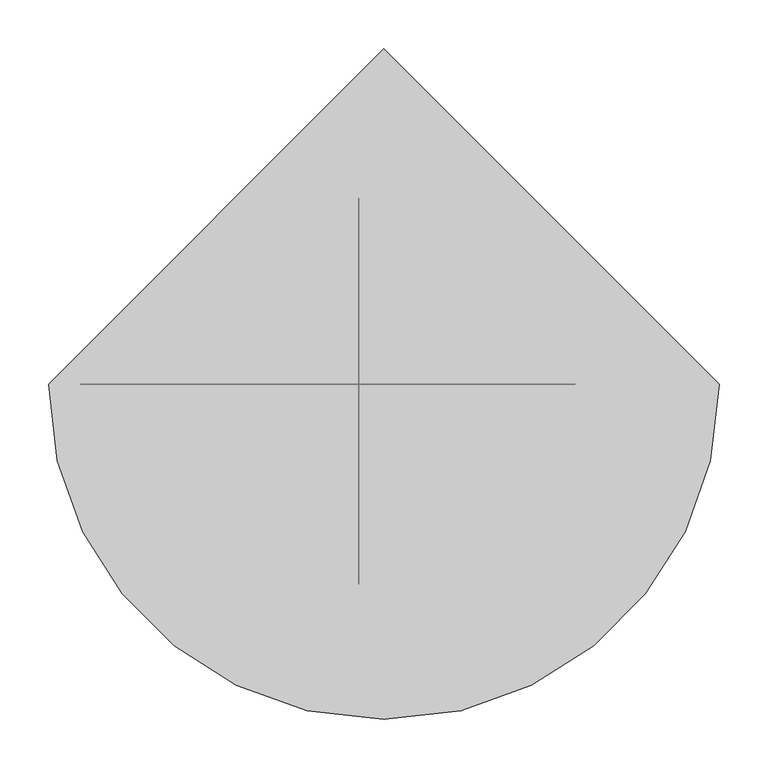
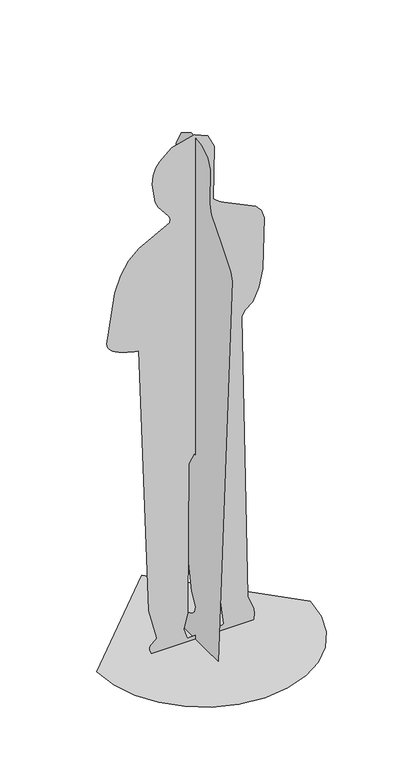
"""IFC4 building model written with IfcOpenShell, lengths in millimetres: proxy geometry."""

from ifc_helpers import new_model, si_unit, origin, place, context, project, spatial, triangles, source, transform, mapped, element, save


def entourage_46964f7a(model_context):
    return source(origin(), model_context, "Body", "Tessellation", [
        triangles([(-345.5731653, 0.0, 0.0), (-336.4372767, -79.1825214, 0.0), (-310.4186251, -151.898995, 0.0), (-269.6002954, -216.0660267, 0.0), (-216.066063, -269.6003499, 0.0), (-151.8989586, -310.4185161, 0.0), (-79.1824851, -336.4372767, 0.0), (1.51e-05, -345.5731653, 0.0), (79.1825305, -336.4373131, 0.0), (151.8990131, -310.4185887, 0.0), (216.066063, -269.6002954, 0.0), (269.6004044, -216.066063, 0.0), (310.4185524, -151.8989405, 0.0), (336.4372767, -79.1824669, 0.0), (345.5731653, 3.02e-05, 0.0), (-4.53e-05, 345.5731653, 0.0), (-25.78036, -206.1897945, 1348.8136002), (-25.78036, -197.5853052, 1374.9567719), (-25.78036, -143.9297866, 1440.4177471), (-25.78036, -88.0519655, 1504.3160271), (-25.78036, -79.0557305, 1537.7600613), (-25.78036, -83.3728452, 1655.4464825), (-25.78036, -70.0857021, 1687.5603653), (-25.78036, -36.8546772, 1709.6664288), (-25.78036, 23.8686285, 1717.8951416), (-25.78036, 79.9018998, 1684.0288948), (-25.78036, 106.2359483, 1634.1418236), (-25.78036, 109.3285375, 1576.3372124), (-25.78036, 95.6374309, 1518.7173283), (-25.78036, 71.6204648, 1469.3858917), (-25.78036, 43.7353619, 1436.4453152), (-25.78036, 18.439931, 1427.9987377), (-25.78036, 12.9047356, 1418.4000504), (-25.78036, 17.9030406, 1403.900354), (-25.78036, 100.3158972, 1305.1847225), (-25.78036, 139.8422364, 1319.3013027), (-25.78036, 147.3154902, 1313.5241844), (-25.78036, 153.4761334, 1298.3650806), (-25.78036, 159.5450399, 1229.1756992), (-25.78036, 155.9177722, 1209.0686417), (-25.78036, 148.7091461, 1195.8696653), (-25.78036, 191.504717, 912.7641987), (-25.78036, 185.9813805, 822.2159466), (-25.78036, 168.0753332, 726.406097), (-25.78036, 163.1484355, 723.9989765), (-25.78036, 157.8330986, 724.045776), (-25.78036, 131.3723318, 737.6993757), (-25.78036, 21.417554, 149.8942027), (-25.78036, -1.3232616, 110.9245429), (-25.78036, 4.0590798, 90.9092312), (-25.78036, 18.2062061, 77.7815168), (-25.78036, 83.2378335, 46.7363279), (-25.78036, 102.4456273, 28.1713932), (-25.78036, 115.4189542, 0.0001939), (-25.78036, -127.8900044, 0.0001939), (-47.6682023, 5.01e-05, 607.394684), (-50.5685295, 7.96e-05, 98.4130609), (-63.1404637, 8.25e-05, 45.9886491), (-51.8472214, 8.45e-05, 12.1089175), (63.7439925, 8.33e-05, 17.5652898), (66.5308818, 8.31e-05, 21.3655518), (-8.2278249, 5.05e-05, 609.0638409), (-29.2607276, 4.73e-05, 636.0603762), (-172.7833125, 8.44e-05, 13.4467537), (-173.6616201, 8.39e-05, 22.9478498), (-170.9381853, 8.35e-05, 29.5787768), (-154.6519156, 8.27e-05, 42.9999871), (-151.0159457, 8.23e-05, 48.9000085), (-176.6022473, 7.63e-05, 150.4511001), (-208.3969635, 2.09e-05, 1050.4165524), (-216.4831887, 2.08e-05, 1051.9022902), (-226.3935031, 2.06e-05, 1053.8479563), (-237.6114049, 2.05e-05, 1056.3360312), (-249.6203194, 2.03e-05, 1059.4489225), (-261.9037993, 2.01e-05, 1063.2688929), (-273.9452518, 1.99e-05, 1067.8781319), (-285.228175, 1.97e-05, 1073.35912), (-292.7744804, 1.95e-05, 1078.0168299), (-299.4163897, 1.93e-05, 1083.228503), (-304.9455943, 1.92e-05, 1089.0273497), (-309.1536223, 1.9e-05, 1095.4465799), (-311.8324196, 1.88e-05, 1102.5193314), (-312.7733505, 1.87e-05, 1110.2787415), (-311.7682157, 1.85e-05, 1118.7580931), (-286.8267148, 1.73e-05, 1275.1930939), (-267.175625, 1.34e-05, 1328.1943645), (-240.945322, 8.5e-06, 1369.0343136), (-206.7917381, 3.8e-06, 1401.2005188), (-109.3374486, -1e-06, 1453.4599743), (-107.2218801, -2e-06, 1465.6291443), (-111.9356912, -3.4e-06, 1476.9063629), (-145.5692033, -7.6e-06, 1518.8280773), (-156.1162521, -8.3e-06, 1539.9788212), (-165.8142066, -1.06e-05, 1603.8818974), (-162.2941272, -1.25e-05, 1633.2779228), (-153.7863434, -1.38e-05, 1656.3026802), (-141.886879, -1.48e-05, 1674.1116222), (-101.7987827, -1.66e-05, 1707.8038971), (-29.8635274, -1.51e-05, 1727.1999516), (13.7644635, -1.3e-05, 1708.5696934), (35.5195729, -1.05e-05, 1664.4861923), (32.4991723, -3.3e-06, 1485.0824627), (52.4866355, -2.3e-06, 1467.9128712), (169.1693616, 1.1e-06, 1411.612674), (187.957677, 2.2e-06, 1392.5309898), (197.4322985, 4e-06, 1363.4757866), (192.0197292, 1.43e-05, 1189.9501139), (178.7207226, 1.78e-05, 1132.0744314), (159.5661324, 2.03e-05, 1088.5580469), (134.4912548, 2.16e-05, 1068.0268147), (124.9301015, 2.55e-05, 1049.9808231), (143.8918166, 8.04e-05, 86.7553968), (162.7830508, 8.38e-05, 38.1705126), (165.3513715, 8.45e-05, 22.7356671), (163.2783513, 8.52e-05, 0.0004369), (-166.9538355, 8.52e-05, 0.0004369)], [[15, 16, 1], [14, 15, 1], [14, 1, 2], [13, 14, 2], [13, 2, 3], [13, 3, 4], [12, 13, 4], [11, 12, 4], [11, 4, 5], [11, 5, 6], [11, 6, 7], [11, 7, 8], [11, 8, 9], [11, 9, 10], [53, 54, 55], [52, 53, 55], [51, 52, 55], [50, 51, 55], [49, 50, 55], [48, 49, 55], [47, 48, 55], [47, 55, 17], [35, 36, 37], [35, 37, 38], [35, 38, 39], [43, 44, 45], [43, 45, 46], [43, 46, 47], [43, 47, 17], [42, 43, 17], [41, 42, 17], [41, 17, 18], [41, 18, 19], [40, 41, 19], [39, 40, 19], [35, 39, 19], [34, 35, 19], [33, 34, 19], [33, 19, 20], [32, 33, 20], [32, 20, 21], [31, 32, 21], [30, 31, 21], [29, 30, 21], [28, 29, 21], [27, 28, 21], [26, 27, 21], [25, 26, 21], [24, 25, 21], [24, 21, 22], [23, 24, 22], [114, 115, 116], [57, 58, 68], [57, 68, 69], [56, 57, 69], [56, 69, 70], [63, 56, 70], [68, 58, 59], [67, 68, 59], [66, 67, 59], [65, 66, 59], [64, 65, 59], [116, 64, 59], [99, 100, 101], [98, 99, 101], [97, 98, 101], [96, 97, 101], [95, 96, 101], [94, 95, 101], [93, 94, 101], [92, 93, 101], [91, 92, 101], [91, 101, 102], [90, 91, 102], [89, 90, 102], [89, 102, 103], [108, 109, 110], [104, 105, 106], [103, 104, 106], [89, 103, 106], [89, 106, 107], [89, 107, 108], [89, 108, 110], [88, 89, 110], [87, 88, 110], [86, 87, 110], [85, 86, 110], [84, 85, 110], [84, 110, 111], [83, 84, 111], [82, 83, 111], [81, 82, 111], [80, 81, 111], [79, 80, 111], [78, 79, 111], [77, 78, 111], [76, 77, 111], [75, 76, 111], [74, 75, 111], [73, 74, 111], [72, 73, 111], [71, 72, 111], [70, 71, 111], [63, 70, 111], [62, 63, 111], [61, 62, 111], [61, 111, 112], [61, 112, 113], [61, 113, 114], [60, 61, 114], [60, 114, 116], [60, 116, 59]], closed=False),
    ])


if __name__ == "__main__":
    model = new_model("IFC4")
    model_context = context("Model", 3, world=origin())
    ifc_project = project(units=[si_unit("LENGTHUNIT", "METRE", prefix="MILLI")], contexts=[model_context])
    site = spatial("IfcSite", under=ifc_project)
    building = spatial("IfcBuilding", under=site)
    placement = place(None, origin())
    entourage_shape = entourage_46964f7a(model_context)
    element("IfcBuildingElementProxy", 1, Name="Entourage", at=placement, inside=building, context=model_context, shape_type="MappedRepresentation", body=[
        mapped(entourage_shape, transform((0.0, 0.0, 0.0), x_axis=(1.0, 0.0, 0.0), y_axis=(0.0, 1.0, 0.0), z_axis=(0.0, 0.0, 1.0))),
    ])
    save(model, "model.ifc")
